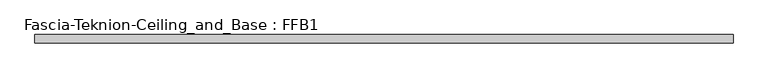
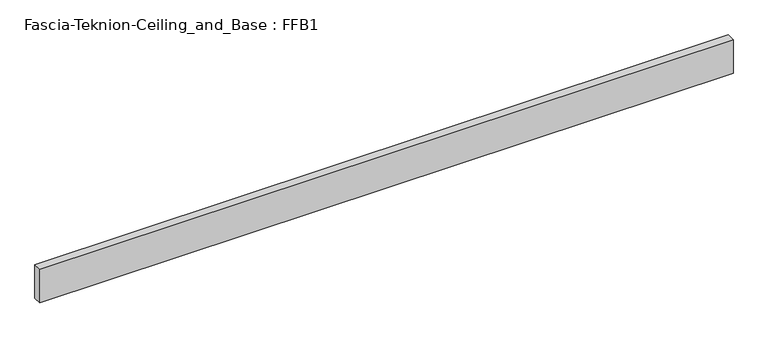
"""IFC4 building model written with IfcOpenShell, lengths in millimetres: proxy geometry, Fascia-Teknion-Ceiling_and_Base : FFB1."""

import ifcopenshell
import ifcopenshell.guid

model = None  # the IFC model being written
_history = None  # IfcOwnerHistory: only IFC2X3 demands one
_inside = {}  # id of a spatial element -> (the spatial element, [elements in it])
_under = {}  # id of a project, library or spatial element -> (it, [spatial elements below it])
_declared = {}  # id of a project -> (the project, [libraries it declares])
_typed = {}  # id of a type object -> (the type object, [elements of that type])
_made_of = {}  # id of a material, layer set ... -> (it, [elements and type objects made of it])


def new_model(schema):
    """Start an empty IFC model of exactly this schema.

    Asked for "IFC4X3", IfcOpenShell would pick the latest addendum, in which some entities
    have other attributes; the version numbers below select the first issue.
    IFC2X3 requires an IfcOwnerHistory on every rooted entity: one is made here for all.
    """
    global model, _history
    if schema == "IFC4X3":
        model = ifcopenshell.file(schema_version=(4, 3, 0, 0))
    else:
        model = ifcopenshell.file(schema=schema)
    _inside.clear()
    _under.clear()
    _declared.clear()
    _typed.clear()
    _made_of.clear()
    _history = None
    if model.schema == "IFC2X3":
        org = make("IfcOrganization", Name="unknown")
        user = make(
            "IfcPersonAndOrganization",
            ThePerson=make("IfcPerson", FamilyName="unknown"),
            TheOrganization=org,
        )
        app = make(
            "IfcApplication",
            ApplicationDeveloper=org,
            Version="unknown",
            ApplicationFullName="unknown",
            ApplicationIdentifier="unknown",
        )
        _history = make(
            "IfcOwnerHistory",
            OwningUser=user,
            OwningApplication=app,
            ChangeAction="ADDED",
            CreationDate=0,
        )
    return model


def make(cls, **values):
    """One entity of the class cls with the attributes given. An attribute that is None is left unset."""
    return model.create_entity(
        cls, **{name: value for name, value in values.items() if value is not None}
    )


def rooted(cls, **values):
    """An entity with a GlobalId (a new one), such as an element, a storey or a relation."""
    return make(cls, GlobalId=ifcopenshell.guid.new(), OwnerHistory=_history, **values)


def si_unit(unit_type, name, prefix=None):
    """IfcSIUnit, for example si_unit("LENGTHUNIT", "METRE", prefix="MILLI")."""
    return make("IfcSIUnit", UnitType=unit_type, Prefix=prefix, Name=name)


def assignment(units):
    """IfcUnitAssignment: the units of a project."""
    return None if units is None else make("IfcUnitAssignment", Units=units)


def point(xyz):
    """IfcCartesianPoint."""
    return None if xyz is None else make("IfcCartesianPoint", Coordinates=xyz)


def direction(xyz):
    """IfcDirection."""
    return None if xyz is None else make("IfcDirection", DirectionRatios=xyz)


def frame(location, z_axis=None, x_axis=None):
    """IfcAxis2Placement3D, a coordinate frame: its origin and axes. An axis left out is left unset."""
    return make(
        "IfcAxis2Placement3D",
        Location=point(location),
        Axis=direction(z_axis),
        RefDirection=direction(x_axis),
    )


def origin():
    """The frame at (0, 0, 0) with its axes left unset."""
    return frame((0.0, 0.0, 0.0))


def origin_with_axes():
    """The frame at (0, 0, 0) with the z axis (0, 0, 1) and the x axis (1, 0, 0) written out."""
    return frame((0.0, 0.0, 0.0), z_axis=(0.0, 0.0, 1.0), x_axis=(1.0, 0.0, 0.0))


def place(relative_to, where):
    """IfcLocalPlacement: puts the frame where relative to a parent placement (None: the world)."""
    return make(
        "IfcLocalPlacement", PlacementRelTo=relative_to, RelativePlacement=where
    )


def context(
    kind, dimensions, precision=None, world=None, true_north=None, identifier=None
):
    """IfcGeometricRepresentationContext, for example the 3D "Model" context."""
    return make(
        "IfcGeometricRepresentationContext",
        ContextIdentifier=identifier,
        ContextType=kind,
        CoordinateSpaceDimension=dimensions,
        Precision=precision,
        WorldCoordinateSystem=world,
        TrueNorth=true_north,
    )


def project(units=None, contexts=None):
    """IfcProject with its units and contexts."""
    return rooted(
        "IfcProject",
        Name="project",
        RepresentationContexts=contexts,
        UnitsInContext=assignment(units),
    )


def spatial(cls, under=None, at=None, **own):
    """A site, building, storey or space (cls), placed at a placement, below another one or the project."""
    s = rooted(cls, ObjectPlacement=at, **own)
    if under is not None:
        _under.setdefault(under.id(), (under, []))[1].append(s)
    return s


def polyline(points):
    """IfcPolyline through the points."""
    return make("IfcPolyline", Points=[point(p) for p in points])


def outline(outer, holes=None, kind="AREA"):
    """IfcArbitraryClosedProfileDef: a profile drawn as a closed curve; with holes, ...WithVoids."""
    if holes is None:
        return make("IfcArbitraryClosedProfileDef", ProfileType=kind, OuterCurve=outer)
    return make(
        "IfcArbitraryProfileDefWithVoids",
        ProfileType=kind,
        OuterCurve=outer,
        InnerCurves=holes,
    )


def extrude(swept, where, along, depth):
    """IfcExtrudedAreaSolid: the profile swept, set in the frame where, extruded along a direction by depth."""
    return make(
        "IfcExtrudedAreaSolid",
        SweptArea=swept,
        Position=where,
        ExtrudedDirection=direction(along),
        Depth=depth,
    )


def shape(context_of_items, identifier, shape_type, items):
    """IfcShapeRepresentation: the items that make up one representation, for example the "Body"."""
    return make(
        "IfcShapeRepresentation",
        ContextOfItems=context_of_items,
        RepresentationIdentifier=identifier,
        RepresentationType=shape_type,
        Items=items,
    )


def source(mapping_origin, context_of_items, identifier, shape_type, items):
    """IfcRepresentationMap: a shape defined once, which mapped items show again and again."""
    return make(
        "IfcRepresentationMap",
        MappingOrigin=mapping_origin,
        MappedRepresentation=shape(context_of_items, identifier, shape_type, items),
    )


def transform(
    local_origin,
    x_axis=None,
    y_axis=None,
    z_axis=None,
    scale=None,
    scale2=None,
    scale3=None,
    uniform=True,
):
    """IfcCartesianTransformationOperator3D, or its non-uniform kind. x_axis, y_axis, z_axis: its Axis1, 2, 3."""
    if uniform:
        return make(
            "IfcCartesianTransformationOperator3D",
            Axis1=direction(x_axis),
            Axis2=direction(y_axis),
            LocalOrigin=point(local_origin),
            Scale=scale,
            Axis3=direction(z_axis),
        )
    return make(
        "IfcCartesianTransformationOperator3DnonUniform",
        Axis1=direction(x_axis),
        Axis2=direction(y_axis),
        LocalOrigin=point(local_origin),
        Scale=scale,
        Axis3=direction(z_axis),
        Scale2=scale2,
        Scale3=scale3,
    )


def mapped(mapping_source, mapping_target):
    """IfcMappedItem: shows the shape of a source again, moved by a transform."""
    return make(
        "IfcMappedItem", MappingSource=mapping_source, MappingTarget=mapping_target
    )


def made_of(thing, what):
    """Note that an element or type object is made of a material, layer set ...; save() writes the relation."""
    if what is not None:
        _made_of.setdefault(what.id(), (what, []))[1].append(thing)
    return thing


def element(
    cls,
    number,
    at=None,
    inside=None,
    cuts=None,
    type_object=None,
    material=None,
    context=None,
    identifier="Body",
    shape_type=None,
    held_by="IfcProductDefinitionShape",
    body=None,
    shapes=None,
    **own,
):
    """One element of the class cls, such as IfcWall. Its Tag is "e" and its number.

    at: its placement. inside: the storey or other place that contains it. cuts: it is an
    opening in that element (IfcRelVoidsElement). A single representation is given by context,
    identifier, shape_type and body (its items); several are given by shapes. held_by: the class
    of the entity that holds the representations. save() writes the other relations.
    """
    e = rooted(cls, Tag="e%d" % number, ObjectPlacement=at, **own)
    if body is not None:
        shapes = [shape(context, identifier, shape_type, body)]
    if shapes is not None:
        e.Representation = make(held_by, Representations=shapes)
    if inside is not None:
        _inside.setdefault(inside.id(), (inside, []))[1].append(e)
    if cuts is not None:
        rooted(
            "IfcRelVoidsElement", RelatingBuildingElement=cuts, RelatedOpeningElement=e
        )
    if type_object is not None:
        _typed.setdefault(type_object.id(), (type_object, []))[1].append(e)
    return made_of(e, material)


def aggregate(whole, parts):
    """IfcRelAggregates: a whole, such as a stair, and the parts it consists of."""
    return rooted("IfcRelAggregates", RelatingObject=whole, RelatedObjects=parts)


def save(model, path):
    """Write the relations noted so far, then the file.

    IfcRelAggregates (storeys below a building ...), IfcRelContainedInSpatialStructure (elements
    in a storey), IfcRelDefinesByType, IfcRelAssociatesMaterial and IfcRelDeclares: one each for
    every whole, place, type object, material and project.
    """
    for whole, parts in _under.values():
        aggregate(whole, parts)
    for where, things in _inside.values():
        rooted(
            "IfcRelContainedInSpatialStructure",
            RelatedElements=things,
            RelatingStructure=where,
        )
    for kind, things in _typed.values():
        rooted("IfcRelDefinesByType", RelatedObjects=things, RelatingType=kind)
    for what, things in _made_of.values():
        rooted("IfcRelAssociatesMaterial", RelatedObjects=things, RelatingMaterial=what)
    for by, libraries in _declared.values():
        rooted("IfcRelDeclares", RelatingContext=by, RelatedDefinitions=libraries)
    model.write(path)


def fascia_teknion_ceiling_and_base_ffb1_3cc7ad6c(model_context):
    return source(origin(), model_context, "Body", "SweptSolid", [
        extrude(outline(polyline([(795.6407125, 0.0), (-795.6407125, 0.0), (-795.6407125, 19.05), (795.6407125, 19.05), (795.6407125, 0.0)])), origin_with_axes(), (0.0, 0.0, 1.0), 81.28),
    ])


if __name__ == "__main__":
    model = new_model("IFC4")
    model_context = context("Model", 3, world=origin())
    ifc_project = project(units=[si_unit("LENGTHUNIT", "METRE", prefix="MILLI")], contexts=[model_context])
    site = spatial("IfcSite", under=ifc_project)
    building = spatial("IfcBuilding", under=site)
    placement = place(None, origin())
    fascia_teknion_ceiling_and_base_ffb1_shape = fascia_teknion_ceiling_and_base_ffb1_3cc7ad6c(model_context)
    element("IfcBuildingElementProxy", 1, Name="Fascia-Teknion-Ceiling_and_Base : FFB1", ObjectType="Fascia-Teknion-Ceiling_and_Base : FFB1", at=placement, inside=building, context=model_context, shape_type="MappedRepresentation", body=[
        mapped(fascia_teknion_ceiling_and_base_ffb1_shape, transform((0.0, 0.0, 0.0), x_axis=(1.0, 0.0, 0.0), y_axis=(0.0, 1.0, 0.0), z_axis=(0.0, 0.0, 1.0))),
    ])
    save(model, "model.ifc")
